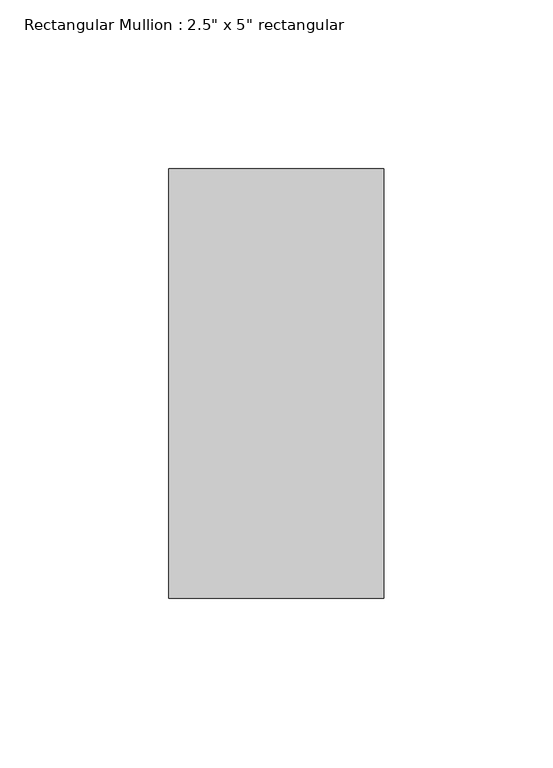
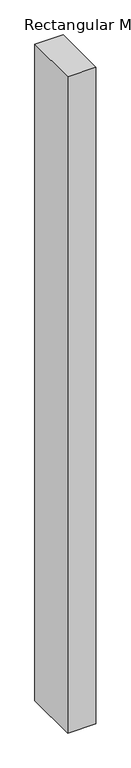
"""IFC4 building model written with IfcOpenShell, lengths in millimetres: member geometry."""

from ifc_helpers import new_model, si_unit, frame, origin, place, context, project, spatial, polyline, outline, extrude, source, transform, mapped, element, save


def member_00c01c4d(model_context):
    return source(origin(), model_context, "Body", "SweptSolid", [
        extrude(outline(polyline([(0.0, 63.5), (0.0, -63.5), (-63.5, -63.5), (-63.5, 63.5), (0.0, 63.5)])), frame((0.0, 0.0, -1555.75), z_axis=(0.0, 0.0, 1.0), x_axis=(1.0, 0.0, 0.0)), (0.0, 0.0, 1.0), 1555.75),
    ])


if __name__ == "__main__":
    model = new_model("IFC4")
    model_context = context("Model", 3, world=origin())
    ifc_project = project(units=[si_unit("LENGTHUNIT", "METRE", prefix="MILLI")], contexts=[model_context])
    site = spatial("IfcSite", under=ifc_project)
    building = spatial("IfcBuilding", under=site)
    placement = place(None, origin())
    member_shape = member_00c01c4d(model_context)
    element("IfcMember", 1, ObjectType="Rectangular Mullion : 2.5\" x 5\" rectangular", at=placement, inside=building, context=model_context, shape_type="MappedRepresentation", body=[
        mapped(member_shape, transform((0.0, 0.0, 0.0), x_axis=(1.0, 0.0, 0.0), y_axis=(0.0, 1.0, 0.0), z_axis=(0.0, 0.0, 1.0))),
    ])
    save(model, "model.ifc")
